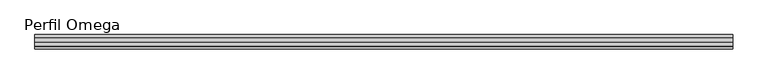
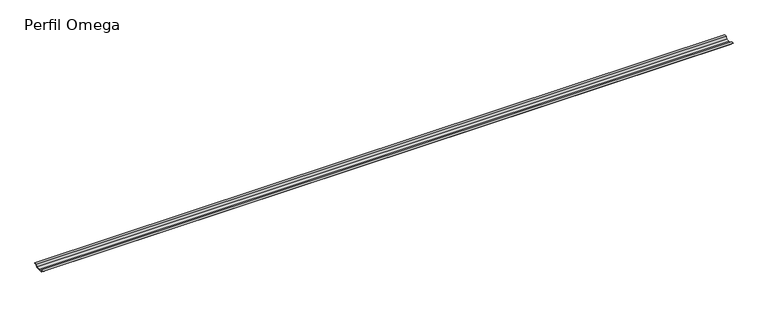
"""IFC4 building model written with IfcOpenShell, lengths in millimetres: proxy geometry, Perfil Omega."""

from ifc_helpers import new_model, si_unit, frame, origin, place, context, project, spatial, polyline, outline, extrude, source, transform, mapped, element, save


def perfil_omega_d8fa6ab2(model_context):
    return source(origin(), model_context, "Body", "SweptSolid", [
        extrude(outline(polyline([(25.0, -17.0), (0.0, -17.0), (-25.0, -17.0), (-26.5, -2.4), (-41.4, -2.4), (-41.4, -1.4), (-25.5974759, -1.4), (-24.0974759, -16.0), (0.0, -16.0), (24.0974759, -16.0), (25.5974759, -1.4), (41.4, -1.4), (41.4, -2.4), (26.5, -2.4), (25.0, -17.0)])), frame((0.0, 0.0, 0.0), z_axis=(1.0, 0.0, 0.0), x_axis=(0.0, 1.0, 0.0)), (0.0, 0.0, 1.0), 4000.0),
    ])


if __name__ == "__main__":
    model = new_model("IFC4")
    model_context = context("Model", 3, world=origin())
    ifc_project = project(units=[si_unit("LENGTHUNIT", "METRE", prefix="MILLI")], contexts=[model_context])
    site = spatial("IfcSite", under=ifc_project)
    building = spatial("IfcBuilding", under=site)
    placement = place(None, origin())
    perfil_omega_shape = perfil_omega_d8fa6ab2(model_context)
    element("IfcBuildingElementProxy", 1, Name="Perfil Omega", ObjectType="Perfil Omega", at=placement, inside=building, context=model_context, shape_type="MappedRepresentation", body=[
        mapped(perfil_omega_shape, transform((0.0, 0.0, 0.0), x_axis=(1.0, 0.0, 0.0), y_axis=(0.0, 1.0, 0.0), z_axis=(0.0, 0.0, 1.0))),
    ])
    save(model, "model.ifc")
